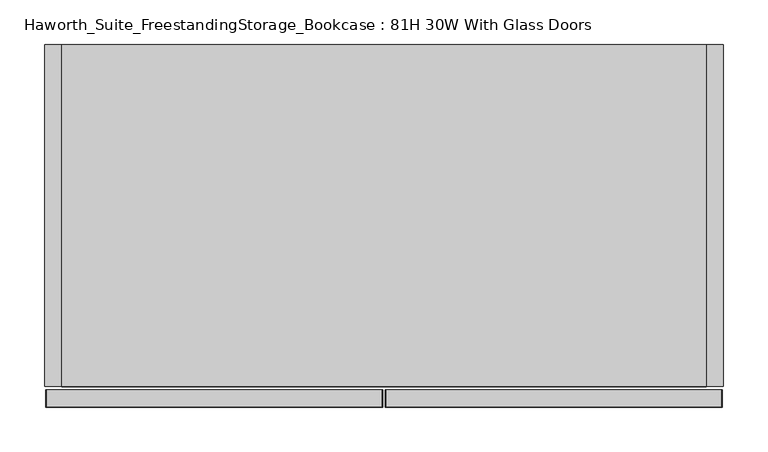
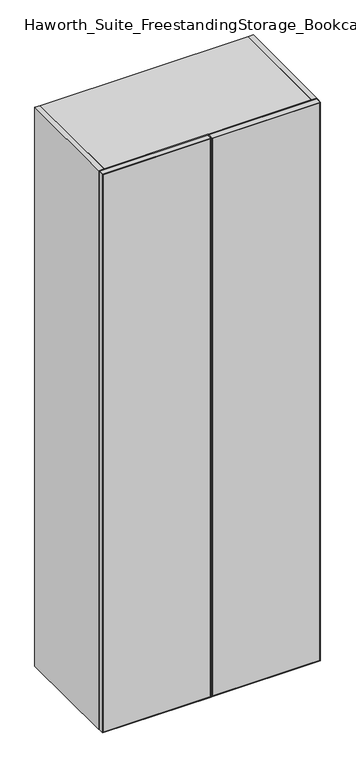
"""IFC4 building model written with IfcOpenShell, lengths in millimetres: furniture geometry, Haworth_Suite_FreestandingStorage_Bookcase : 81H 30W With Glass Doors."""

import ifcopenshell
import ifcopenshell.guid

model = None  # the IFC model being written
_history = None  # IfcOwnerHistory: only IFC2X3 demands one
_inside = {}  # id of a spatial element -> (the spatial element, [elements in it])
_under = {}  # id of a project, library or spatial element -> (it, [spatial elements below it])
_declared = {}  # id of a project -> (the project, [libraries it declares])
_typed = {}  # id of a type object -> (the type object, [elements of that type])
_made_of = {}  # id of a material, layer set ... -> (it, [elements and type objects made of it])


def new_model(schema):
    """Start an empty IFC model of exactly this schema.

    Asked for "IFC4X3", IfcOpenShell would pick the latest addendum, in which some entities
    have other attributes; the version numbers below select the first issue.
    IFC2X3 requires an IfcOwnerHistory on every rooted entity: one is made here for all.
    """
    global model, _history
    if schema == "IFC4X3":
        model = ifcopenshell.file(schema_version=(4, 3, 0, 0))
    else:
        model = ifcopenshell.file(schema=schema)
    _inside.clear()
    _under.clear()
    _declared.clear()
    _typed.clear()
    _made_of.clear()
    _history = None
    if model.schema == "IFC2X3":
        org = make("IfcOrganization", Name="unknown")
        user = make(
            "IfcPersonAndOrganization",
            ThePerson=make("IfcPerson", FamilyName="unknown"),
            TheOrganization=org,
        )
        app = make(
            "IfcApplication",
            ApplicationDeveloper=org,
            Version="unknown",
            ApplicationFullName="unknown",
            ApplicationIdentifier="unknown",
        )
        _history = make(
            "IfcOwnerHistory",
            OwningUser=user,
            OwningApplication=app,
            ChangeAction="ADDED",
            CreationDate=0,
        )
    return model


def make(cls, **values):
    """One entity of the class cls with the attributes given. An attribute that is None is left unset."""
    return model.create_entity(
        cls, **{name: value for name, value in values.items() if value is not None}
    )


def rooted(cls, **values):
    """An entity with a GlobalId (a new one), such as an element, a storey or a relation."""
    return make(cls, GlobalId=ifcopenshell.guid.new(), OwnerHistory=_history, **values)


def si_unit(unit_type, name, prefix=None):
    """IfcSIUnit, for example si_unit("LENGTHUNIT", "METRE", prefix="MILLI")."""
    return make("IfcSIUnit", UnitType=unit_type, Prefix=prefix, Name=name)


def assignment(units):
    """IfcUnitAssignment: the units of a project."""
    return None if units is None else make("IfcUnitAssignment", Units=units)


def point(xyz):
    """IfcCartesianPoint."""
    return None if xyz is None else make("IfcCartesianPoint", Coordinates=xyz)


def direction(xyz):
    """IfcDirection."""
    return None if xyz is None else make("IfcDirection", DirectionRatios=xyz)


def frame(location, z_axis=None, x_axis=None):
    """IfcAxis2Placement3D, a coordinate frame: its origin and axes. An axis left out is left unset."""
    return make(
        "IfcAxis2Placement3D",
        Location=point(location),
        Axis=direction(z_axis),
        RefDirection=direction(x_axis),
    )


def origin():
    """The frame at (0, 0, 0) with its axes left unset."""
    return frame((0.0, 0.0, 0.0))


def origin_with_axes():
    """The frame at (0, 0, 0) with the z axis (0, 0, 1) and the x axis (1, 0, 0) written out."""
    return frame((0.0, 0.0, 0.0), z_axis=(0.0, 0.0, 1.0), x_axis=(1.0, 0.0, 0.0))


def place(relative_to, where):
    """IfcLocalPlacement: puts the frame where relative to a parent placement (None: the world)."""
    return make(
        "IfcLocalPlacement", PlacementRelTo=relative_to, RelativePlacement=where
    )


def context(
    kind, dimensions, precision=None, world=None, true_north=None, identifier=None
):
    """IfcGeometricRepresentationContext, for example the 3D "Model" context."""
    return make(
        "IfcGeometricRepresentationContext",
        ContextIdentifier=identifier,
        ContextType=kind,
        CoordinateSpaceDimension=dimensions,
        Precision=precision,
        WorldCoordinateSystem=world,
        TrueNorth=true_north,
    )


def project(units=None, contexts=None):
    """IfcProject with its units and contexts."""
    return rooted(
        "IfcProject",
        Name="project",
        RepresentationContexts=contexts,
        UnitsInContext=assignment(units),
    )


def spatial(cls, under=None, at=None, **own):
    """A site, building, storey or space (cls), placed at a placement, below another one or the project."""
    s = rooted(cls, ObjectPlacement=at, **own)
    if under is not None:
        _under.setdefault(under.id(), (under, []))[1].append(s)
    return s


def polyline(points):
    """IfcPolyline through the points."""
    return make("IfcPolyline", Points=[point(p) for p in points])


def outline(outer, holes=None, kind="AREA"):
    """IfcArbitraryClosedProfileDef: a profile drawn as a closed curve; with holes, ...WithVoids."""
    if holes is None:
        return make("IfcArbitraryClosedProfileDef", ProfileType=kind, OuterCurve=outer)
    return make(
        "IfcArbitraryProfileDefWithVoids",
        ProfileType=kind,
        OuterCurve=outer,
        InnerCurves=holes,
    )


def extrude(swept, where, along, depth):
    """IfcExtrudedAreaSolid: the profile swept, set in the frame where, extruded along a direction by depth."""
    return make(
        "IfcExtrudedAreaSolid",
        SweptArea=swept,
        Position=where,
        ExtrudedDirection=direction(along),
        Depth=depth,
    )


def shape(context_of_items, identifier, shape_type, items):
    """IfcShapeRepresentation: the items that make up one representation, for example the "Body"."""
    return make(
        "IfcShapeRepresentation",
        ContextOfItems=context_of_items,
        RepresentationIdentifier=identifier,
        RepresentationType=shape_type,
        Items=items,
    )


def source(mapping_origin, context_of_items, identifier, shape_type, items):
    """IfcRepresentationMap: a shape defined once, which mapped items show again and again."""
    return make(
        "IfcRepresentationMap",
        MappingOrigin=mapping_origin,
        MappedRepresentation=shape(context_of_items, identifier, shape_type, items),
    )


def transform(
    local_origin,
    x_axis=None,
    y_axis=None,
    z_axis=None,
    scale=None,
    scale2=None,
    scale3=None,
    uniform=True,
):
    """IfcCartesianTransformationOperator3D, or its non-uniform kind. x_axis, y_axis, z_axis: its Axis1, 2, 3."""
    if uniform:
        return make(
            "IfcCartesianTransformationOperator3D",
            Axis1=direction(x_axis),
            Axis2=direction(y_axis),
            LocalOrigin=point(local_origin),
            Scale=scale,
            Axis3=direction(z_axis),
        )
    return make(
        "IfcCartesianTransformationOperator3DnonUniform",
        Axis1=direction(x_axis),
        Axis2=direction(y_axis),
        LocalOrigin=point(local_origin),
        Scale=scale,
        Axis3=direction(z_axis),
        Scale2=scale2,
        Scale3=scale3,
    )


def mapped(mapping_source, mapping_target):
    """IfcMappedItem: shows the shape of a source again, moved by a transform."""
    return make(
        "IfcMappedItem", MappingSource=mapping_source, MappingTarget=mapping_target
    )


def made_of(thing, what):
    """Note that an element or type object is made of a material, layer set ...; save() writes the relation."""
    if what is not None:
        _made_of.setdefault(what.id(), (what, []))[1].append(thing)
    return thing


def element(
    cls,
    number,
    at=None,
    inside=None,
    cuts=None,
    type_object=None,
    material=None,
    context=None,
    identifier="Body",
    shape_type=None,
    held_by="IfcProductDefinitionShape",
    body=None,
    shapes=None,
    **own,
):
    """One element of the class cls, such as IfcWall. Its Tag is "e" and its number.

    at: its placement. inside: the storey or other place that contains it. cuts: it is an
    opening in that element (IfcRelVoidsElement). A single representation is given by context,
    identifier, shape_type and body (its items); several are given by shapes. held_by: the class
    of the entity that holds the representations. save() writes the other relations.
    """
    e = rooted(cls, Tag="e%d" % number, ObjectPlacement=at, **own)
    if body is not None:
        shapes = [shape(context, identifier, shape_type, body)]
    if shapes is not None:
        e.Representation = make(held_by, Representations=shapes)
    if inside is not None:
        _inside.setdefault(inside.id(), (inside, []))[1].append(e)
    if cuts is not None:
        rooted(
            "IfcRelVoidsElement", RelatingBuildingElement=cuts, RelatedOpeningElement=e
        )
    if type_object is not None:
        _typed.setdefault(type_object.id(), (type_object, []))[1].append(e)
    return made_of(e, material)


def aggregate(whole, parts):
    """IfcRelAggregates: a whole, such as a stair, and the parts it consists of."""
    return rooted("IfcRelAggregates", RelatingObject=whole, RelatedObjects=parts)


def save(model, path):
    """Write the relations noted so far, then the file.

    IfcRelAggregates (storeys below a building ...), IfcRelContainedInSpatialStructure (elements
    in a storey), IfcRelDefinesByType, IfcRelAssociatesMaterial and IfcRelDeclares: one each for
    every whole, place, type object, material and project.
    """
    for whole, parts in _under.values():
        aggregate(whole, parts)
    for where, things in _inside.values():
        rooted(
            "IfcRelContainedInSpatialStructure",
            RelatedElements=things,
            RelatingStructure=where,
        )
    for kind, things in _typed.values():
        rooted("IfcRelDefinesByType", RelatedObjects=things, RelatingType=kind)
    for what, things in _made_of.values():
        rooted("IfcRelAssociatesMaterial", RelatedObjects=things, RelatingMaterial=what)
    for by, libraries in _declared.values():
        rooted("IfcRelDeclares", RelatingContext=by, RelatedDefinitions=libraries)
    model.write(path)


def haworth_suite_freestandingstorage_bookcase_81h_30w_with_42967119(model_context):
    return source(origin(), model_context, "Body", "SweptSolid", [
        extrude(outline(polyline([(2057.4, -14.2875), (2055.8125, -15.875), (1.5875, -15.875), (0.0, -14.2875), (2057.4, -14.2875)])), frame((0.0, -419.89375, 0.0), z_axis=(0.0, 1.0, 0.0), x_axis=(0.0, 0.0, 1.0)), (0.0, 0.0, 1.0), 19.05),
        extrude(outline(polyline([(2057.4, -392.1125), (0.0, -392.1125), (1.5875, -390.525), (2055.8125, -390.525), (2057.4, -392.1125)])), frame((0.0, -419.89375, 0.0), z_axis=(0.0, 1.0, 0.0), x_axis=(0.0, 0.0, 1.0)), (0.0, 0.0, 1.0), 19.05),
        extrude(outline(polyline([(2055.8125, -15.875), (2057.4, -14.2875), (2057.4, -392.1125), (2055.8125, -390.525), (2055.8125, -15.875)])), frame((0.0, -419.89375, 0.0), z_axis=(0.0, 1.0, 0.0), x_axis=(0.0, 0.0, 1.0)), (0.0, 0.0, 1.0), 19.05),
        extrude(outline(polyline([(1.5875, -15.875), (1.5875, -390.525), (0.0, -392.1125), (0.0, -14.2875), (1.5875, -15.875)])), frame((0.0, -419.89375, 0.0), z_axis=(0.0, 1.0, 0.0), x_axis=(0.0, 0.0, 1.0)), (0.0, 0.0, 1.0), 19.05),
        extrude(outline(polyline([(-390.525, -401.6375), (-15.875, -401.6375), (-15.875, -419.1), (-390.525, -419.1), (-390.525, -401.6375)])), frame((0.0, 0.0, 1.5875), z_axis=(0.0, 0.0, 1.0), x_axis=(1.0, 0.0, 0.0)), (0.0, 0.0, 1.0), 2054.225),
        extrude(outline(polyline([(2057.4, -11.1125), (0.0, -11.1125), (1.5875, -9.525), (2055.8125, -9.525), (2057.4, -11.1125)])), frame((0.0, -419.89375, 0.0), z_axis=(0.0, 1.0, 0.0), x_axis=(0.0, 0.0, 1.0)), (0.0, 0.0, 1.0), 19.05),
        extrude(outline(polyline([(2057.4, 366.7125), (2055.8125, 365.125), (1.5875, 365.125), (0.0, 366.7125), (2057.4, 366.7125)])), frame((0.0, -419.89375, 0.0), z_axis=(0.0, 1.0, 0.0), x_axis=(0.0, 0.0, 1.0)), (0.0, 0.0, 1.0), 19.05),
        extrude(outline(polyline([(2055.8125, -9.525), (2055.8125, 365.125), (2057.4, 366.7125), (2057.4, -11.1125), (2055.8125, -9.525)])), frame((0.0, -419.89375, 0.0), z_axis=(0.0, 1.0, 0.0), x_axis=(0.0, 0.0, 1.0)), (0.0, 0.0, 1.0), 19.05),
        extrude(outline(polyline([(1.5875, -9.525), (0.0, -11.1125), (0.0, 366.7125), (1.5875, 365.125), (1.5875, -9.525)])), frame((0.0, -419.89375, 0.0), z_axis=(0.0, 1.0, 0.0), x_axis=(0.0, 0.0, 1.0)), (0.0, 0.0, 1.0), 19.05),
        extrude(outline(polyline([(365.125, -401.6375), (365.125, -419.1), (-9.525, -419.1), (-9.525, -401.6375), (365.125, -401.6375)])), frame((0.0, 0.0, 1.5875), z_axis=(0.0, 0.0, 1.0), x_axis=(1.0, 0.0, 0.0)), (0.0, 0.0, 1.0), 2054.225),
        extrude(outline(polyline([(349.25, -31.75), (349.25, -377.825), (-374.65, -377.825), (-374.65, -31.75), (349.25, -31.75)])), frame((0.0, 0.0, 1631.95), z_axis=(0.0, 0.0, 1.0), x_axis=(1.0, 0.0, 0.0)), (0.0, 0.0, 1.0), 19.05),
        extrude(outline(polyline([(349.25, -31.75), (349.25, -377.825), (-374.65, -377.825), (-374.65, -31.75), (349.25, -31.75)])), frame((0.0, 0.0, 431.8), z_axis=(0.0, 0.0, 1.0), x_axis=(1.0, 0.0, 0.0)), (0.0, 0.0, 1.0), 19.05),
        extrude(outline(polyline([(349.25, -31.75), (349.25, -377.825), (-374.65, -377.825), (-374.65, -31.75), (349.25, -31.75)])), frame((0.0, 0.0, 831.85), z_axis=(0.0, 0.0, 1.0), x_axis=(1.0, 0.0, 0.0)), (0.0, 0.0, 1.0), 19.05),
        extrude(outline(polyline([(349.25, -31.75), (349.25, -377.825), (-374.65, -377.825), (-374.65, -31.75), (349.25, -31.75)])), frame((0.0, 0.0, 1231.9), z_axis=(0.0, 0.0, 1.0), x_axis=(1.0, 0.0, 0.0)), (0.0, 0.0, 1.0), 19.05),
        extrude(outline(polyline([(349.25, -12.7), (349.25, -396.875), (-374.65, -396.875), (-374.65, -12.7), (349.25, -12.7)])), frame((0.0, 0.0, 2038.35), z_axis=(0.0, 0.0, 1.0), x_axis=(1.0, 0.0, 0.0)), (0.0, 0.0, 1.0), 19.05),
        extrude(outline(polyline([(349.25, -12.7), (349.25, -31.75), (-374.65, -31.75), (-374.65, -12.7), (349.25, -12.7)])), origin_with_axes(), (0.0, 0.0, 1.0), 2038.35),
        extrude(outline(polyline([(349.25, -31.75), (349.25, -396.875), (-374.65, -396.875), (-374.65, -31.75), (349.25, -31.75)])), origin_with_axes(), (0.0, 0.0, 1.0), 38.1),
        extrude(outline(polyline([(-374.65, -12.7), (-374.65, -396.875), (-393.7, -396.875), (-393.7, -12.7), (-374.65, -12.7)])), origin_with_axes(), (0.0, 0.0, 1.0), 2057.4),
        extrude(outline(polyline([(368.3, -396.875), (349.25, -396.875), (349.25, -12.7), (368.3, -12.7), (368.3, -396.875)])), origin_with_axes(), (0.0, 0.0, 1.0), 2057.4),
    ])


if __name__ == "__main__":
    model = new_model("IFC4")
    model_context = context("Model", 3, world=origin())
    ifc_project = project(units=[si_unit("LENGTHUNIT", "METRE", prefix="MILLI")], contexts=[model_context])
    site = spatial("IfcSite", under=ifc_project)
    building = spatial("IfcBuilding", under=site)
    placement = place(None, origin())
    haworth_suite_freestandingstorage_bookcase_81h_30w_with_shape = haworth_suite_freestandingstorage_bookcase_81h_30w_with_42967119(model_context)
    element("IfcFurniture", 1, ObjectType="Haworth_Suite_FreestandingStorage_Bookcase : 81H 30W With Glass Doors", at=placement, inside=building, context=model_context, shape_type="MappedRepresentation", body=[
        mapped(haworth_suite_freestandingstorage_bookcase_81h_30w_with_shape, transform((0.0, 0.0, 0.0), x_axis=(1.0, 0.0, 0.0), y_axis=(0.0, 1.0, 0.0), z_axis=(0.0, 0.0, 1.0))),
    ])
    save(model, "model.ifc")
